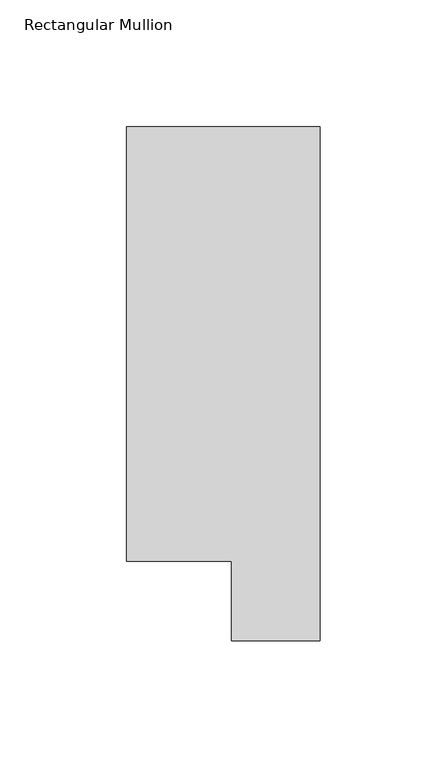
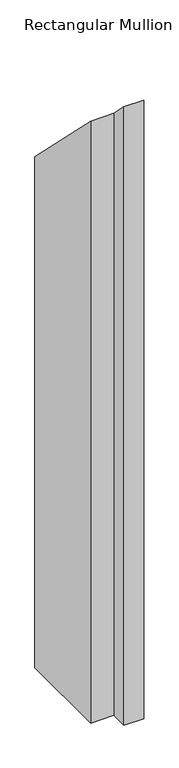
"""IFC4 building model written with IfcOpenShell, lengths in millimetres: member geometry, Rectangular Mullion."""

from ifc_helpers import new_model, si_unit, origin, place, context, project, spatial, faceted_brep, source, transform, mapped, element, save


def rectangular_mullion_bce8fae4(model_context):
    return source(origin(), model_context, "Body", "Brep", [
        faceted_brep([(0.0, 222.0301313, -1181.4436702), (0.0, 19.5667313, -1181.4436702), (-34.9123, 19.5667312, -1181.4436702), (-34.9123, 50.820278, -1181.4436702), (-76.2, 50.820278, -1181.4436702), (-76.2, 222.0301313, -1181.4436702), (-76.2, 222.0301313, -222.0301312), (0.0, 222.0301313, -222.0301312), (-76.2, 50.820278, -50.820278), (-34.9123, 50.820278, -50.820278), (-34.9123, 19.5667312, -19.5667312), (0.0, 19.5667313, -19.5667313)], [[[0, 1, 2, 3, 4, 5]], [[6, 7, 0, 5]], [[8, 6, 5, 4]], [[9, 8, 4, 3]], [[10, 9, 3, 2]], [[11, 10, 2, 1]], [[7, 11, 1, 0]], [[7, 6, 8, 9, 10, 11]]]),
    ])


if __name__ == "__main__":
    model = new_model("IFC4")
    model_context = context("Model", 3, world=origin())
    ifc_project = project(units=[si_unit("LENGTHUNIT", "METRE", prefix="MILLI")], contexts=[model_context])
    site = spatial("IfcSite", under=ifc_project)
    building = spatial("IfcBuilding", under=site)
    placement = place(None, origin())
    rectangular_mullion_shape = rectangular_mullion_bce8fae4(model_context)
    element("IfcMember", 1, ObjectType="Rectangular Mullion", at=placement, inside=building, context=model_context, shape_type="MappedRepresentation", body=[
        mapped(rectangular_mullion_shape, transform((0.0, 0.0, 0.0), x_axis=(1.0, 0.0, 0.0), y_axis=(0.0, 1.0, 0.0), z_axis=(0.0, 0.0, 1.0))),
    ])
    save(model, "model.ifc")
